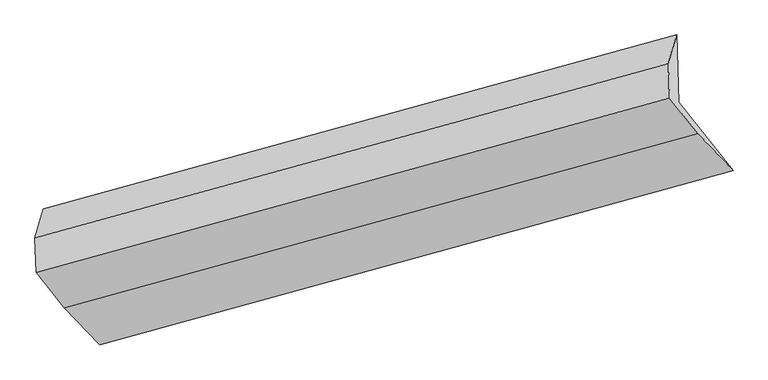
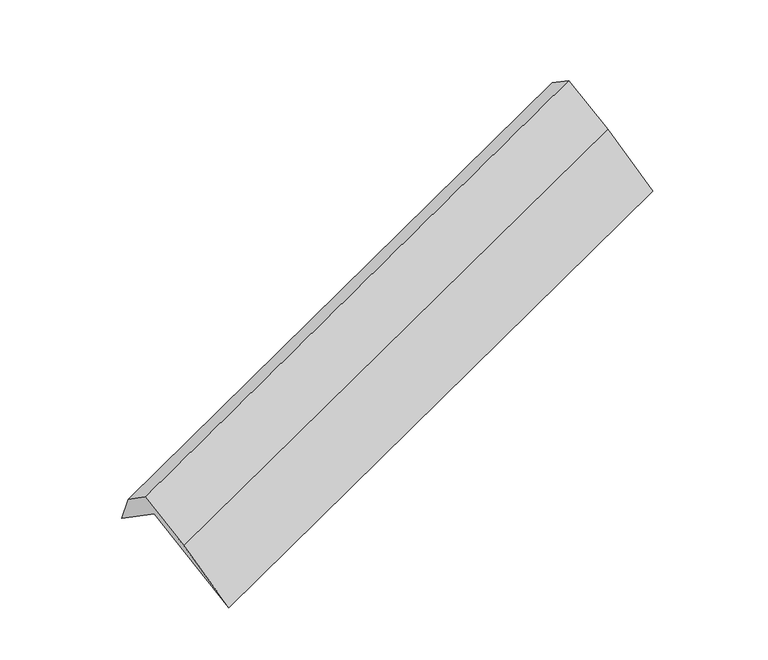
"""IFC4 building model written with IfcOpenShell, lengths in millimetres: proxy geometry."""

from ifc_helpers import new_model, si_unit, origin, place, context, project, spatial, faceted_brep, source, transform, mapped, element, save


def generic_models_a507e18b(model_context):
    return source(origin(), model_context, "Body", "Brep", [
        faceted_brep([(-6041.3919636, -2374.9171626, 1075.1861582), (-6062.4069264, -1716.6149529, 622.7019409), (129.8885108, -11.1169077, 2834.0347108), (150.9034736, -669.4191174, 3286.518928), (-6142.017575, -1998.0637298, 1069.5296932), (50.2778623, -292.5656846, 3280.8624631), (-6131.2599155, -2335.0517657, 1301.1585187), (61.0355218, -629.5537205, 3512.4912886), (-5856.2614162, -2681.4557843, 784.4164861), (336.0340211, -975.9577391, 2995.749256), (-5509.6640962, -3044.7123454, 76.0311091), (682.6313411, -1339.2143002, 2287.363879)], [[[0, 1, 2, 3]], [[1, 4, 5, 2]], [[4, 6, 7, 5]], [[6, 8, 9, 7]], [[8, 10, 11, 9]], [[10, 0, 3, 11]], [[9, 11, 3, 2, 5, 7]], [[0, 10, 8, 6, 4, 1]]]),
    ])


if __name__ == "__main__":
    model = new_model("IFC4")
    model_context = context("Model", 3, world=origin())
    ifc_project = project(units=[si_unit("LENGTHUNIT", "METRE", prefix="MILLI")], contexts=[model_context])
    site = spatial("IfcSite", under=ifc_project)
    building = spatial("IfcBuilding", under=site)
    placement = place(None, origin())
    generic_models_shape = generic_models_a507e18b(model_context)
    element("IfcBuildingElementProxy", 1, Name="Generic Models", at=placement, inside=building, context=model_context, shape_type="MappedRepresentation", body=[
        mapped(generic_models_shape, transform((0.0, 0.0, 0.0), x_axis=(1.0, 0.0, 0.0), y_axis=(0.0, 1.0, 0.0), z_axis=(0.0, 0.0, 1.0))),
    ])
    save(model, "model.ifc")
